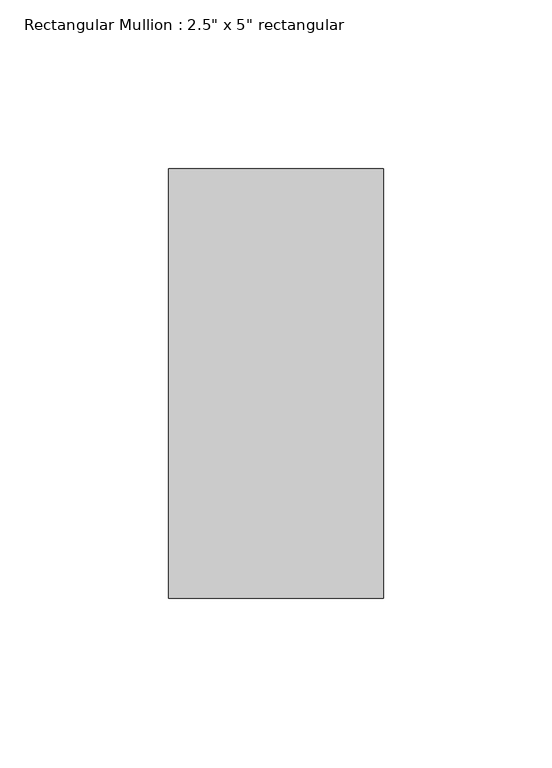
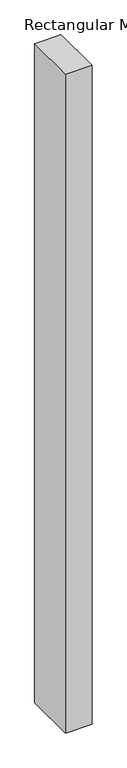
"""IFC4 building model written with IfcOpenShell, lengths in millimetres: member geometry."""

from ifc_helpers import new_model, si_unit, frame, origin, place, context, project, spatial, polyline, outline, extrude, source, transform, mapped, element, save


def member_385821d3(model_context):
    return source(origin(), model_context, "Body", "SweptSolid", [
        extrude(outline(polyline([(0.0, 63.5), (0.0, -63.5), (-63.5, -63.5), (-63.5, 63.5), (0.0, 63.5)])), frame((0.0, 0.0, -1666.0035601), z_axis=(0.0, 0.0, 1.0), x_axis=(1.0, 0.0, 0.0)), (0.0, 0.0, 1.0), 1666.0035601),
    ])


if __name__ == "__main__":
    model = new_model("IFC4")
    model_context = context("Model", 3, world=origin())
    ifc_project = project(units=[si_unit("LENGTHUNIT", "METRE", prefix="MILLI")], contexts=[model_context])
    site = spatial("IfcSite", under=ifc_project)
    building = spatial("IfcBuilding", under=site)
    placement = place(None, origin())
    member_shape = member_385821d3(model_context)
    element("IfcMember", 1, ObjectType="Rectangular Mullion : 2.5\" x 5\" rectangular", at=placement, inside=building, context=model_context, shape_type="MappedRepresentation", body=[
        mapped(member_shape, transform((0.0, 0.0, 0.0), x_axis=(1.0, 0.0, 0.0), y_axis=(0.0, 1.0, 0.0), z_axis=(0.0, 0.0, 1.0))),
    ])
    save(model, "model.ifc")
